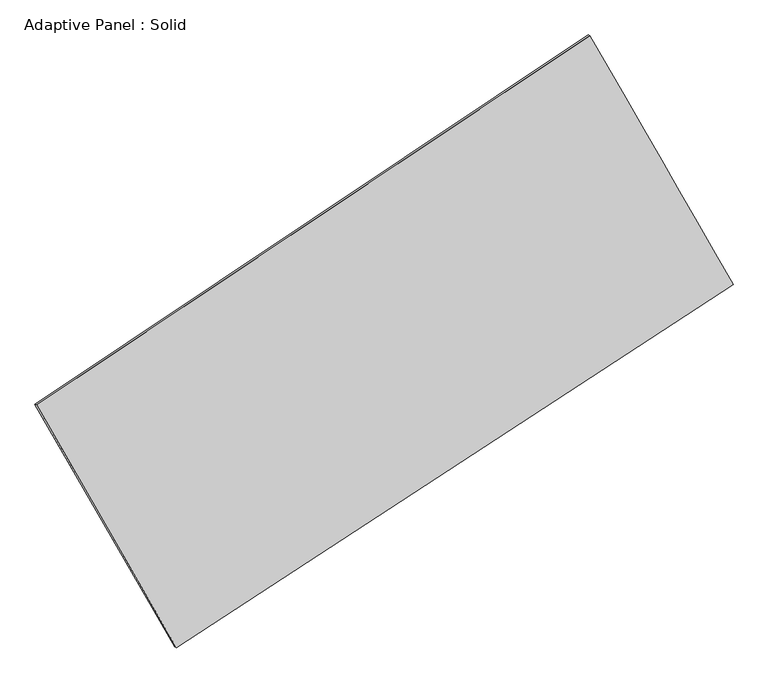
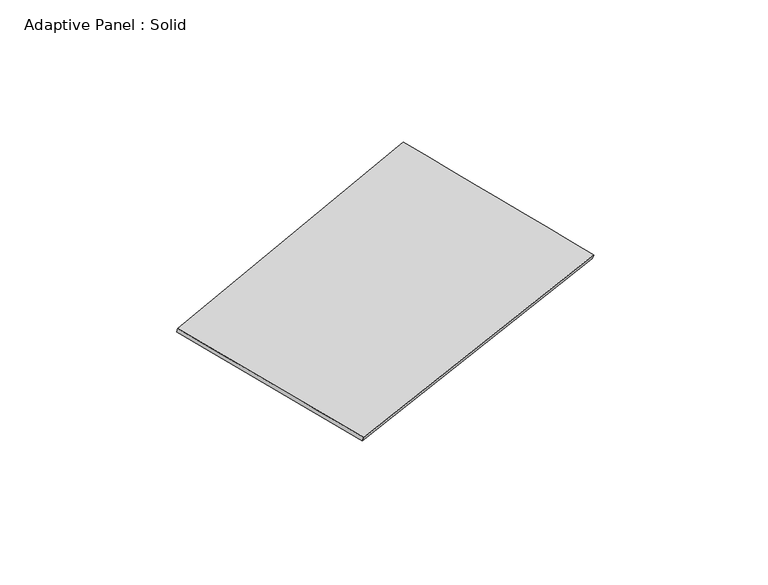
"""IFC4 building model written with IfcOpenShell, lengths in millimetres: plate geometry, Adaptive Panel : Solid."""

import ifcopenshell
import ifcopenshell.guid

model = None  # the IFC model being written
_history = None  # IfcOwnerHistory: only IFC2X3 demands one
_inside = {}  # id of a spatial element -> (the spatial element, [elements in it])
_under = {}  # id of a project, library or spatial element -> (it, [spatial elements below it])
_declared = {}  # id of a project -> (the project, [libraries it declares])
_typed = {}  # id of a type object -> (the type object, [elements of that type])
_made_of = {}  # id of a material, layer set ... -> (it, [elements and type objects made of it])


def new_model(schema):
    """Start an empty IFC model of exactly this schema.

    Asked for "IFC4X3", IfcOpenShell would pick the latest addendum, in which some entities
    have other attributes; the version numbers below select the first issue.
    IFC2X3 requires an IfcOwnerHistory on every rooted entity: one is made here for all.
    """
    global model, _history
    if schema == "IFC4X3":
        model = ifcopenshell.file(schema_version=(4, 3, 0, 0))
    else:
        model = ifcopenshell.file(schema=schema)
    _inside.clear()
    _under.clear()
    _declared.clear()
    _typed.clear()
    _made_of.clear()
    _history = None
    if model.schema == "IFC2X3":
        org = make("IfcOrganization", Name="unknown")
        user = make(
            "IfcPersonAndOrganization",
            ThePerson=make("IfcPerson", FamilyName="unknown"),
            TheOrganization=org,
        )
        app = make(
            "IfcApplication",
            ApplicationDeveloper=org,
            Version="unknown",
            ApplicationFullName="unknown",
            ApplicationIdentifier="unknown",
        )
        _history = make(
            "IfcOwnerHistory",
            OwningUser=user,
            OwningApplication=app,
            ChangeAction="ADDED",
            CreationDate=0,
        )
    return model


def make(cls, **values):
    """One entity of the class cls with the attributes given. An attribute that is None is left unset."""
    return model.create_entity(
        cls, **{name: value for name, value in values.items() if value is not None}
    )


def rooted(cls, **values):
    """An entity with a GlobalId (a new one), such as an element, a storey or a relation."""
    return make(cls, GlobalId=ifcopenshell.guid.new(), OwnerHistory=_history, **values)


def si_unit(unit_type, name, prefix=None):
    """IfcSIUnit, for example si_unit("LENGTHUNIT", "METRE", prefix="MILLI")."""
    return make("IfcSIUnit", UnitType=unit_type, Prefix=prefix, Name=name)


def assignment(units):
    """IfcUnitAssignment: the units of a project."""
    return None if units is None else make("IfcUnitAssignment", Units=units)


def point(xyz):
    """IfcCartesianPoint."""
    return None if xyz is None else make("IfcCartesianPoint", Coordinates=xyz)


def direction(xyz):
    """IfcDirection."""
    return None if xyz is None else make("IfcDirection", DirectionRatios=xyz)


def frame(location, z_axis=None, x_axis=None):
    """IfcAxis2Placement3D, a coordinate frame: its origin and axes. An axis left out is left unset."""
    return make(
        "IfcAxis2Placement3D",
        Location=point(location),
        Axis=direction(z_axis),
        RefDirection=direction(x_axis),
    )


def origin():
    """The frame at (0, 0, 0) with its axes left unset."""
    return frame((0.0, 0.0, 0.0))


def place(relative_to, where):
    """IfcLocalPlacement: puts the frame where relative to a parent placement (None: the world)."""
    return make(
        "IfcLocalPlacement", PlacementRelTo=relative_to, RelativePlacement=where
    )


def context(
    kind, dimensions, precision=None, world=None, true_north=None, identifier=None
):
    """IfcGeometricRepresentationContext, for example the 3D "Model" context."""
    return make(
        "IfcGeometricRepresentationContext",
        ContextIdentifier=identifier,
        ContextType=kind,
        CoordinateSpaceDimension=dimensions,
        Precision=precision,
        WorldCoordinateSystem=world,
        TrueNorth=true_north,
    )


def project(units=None, contexts=None):
    """IfcProject with its units and contexts."""
    return rooted(
        "IfcProject",
        Name="project",
        RepresentationContexts=contexts,
        UnitsInContext=assignment(units),
    )


def spatial(cls, under=None, at=None, **own):
    """A site, building, storey or space (cls), placed at a placement, below another one or the project."""
    s = rooted(cls, ObjectPlacement=at, **own)
    if under is not None:
        _under.setdefault(under.id(), (under, []))[1].append(s)
    return s


def shape(context_of_items, identifier, shape_type, items):
    """IfcShapeRepresentation: the items that make up one representation, for example the "Body"."""
    return make(
        "IfcShapeRepresentation",
        ContextOfItems=context_of_items,
        RepresentationIdentifier=identifier,
        RepresentationType=shape_type,
        Items=items,
    )


def source(mapping_origin, context_of_items, identifier, shape_type, items):
    """IfcRepresentationMap: a shape defined once, which mapped items show again and again."""
    return make(
        "IfcRepresentationMap",
        MappingOrigin=mapping_origin,
        MappedRepresentation=shape(context_of_items, identifier, shape_type, items),
    )


def transform(
    local_origin,
    x_axis=None,
    y_axis=None,
    z_axis=None,
    scale=None,
    scale2=None,
    scale3=None,
    uniform=True,
):
    """IfcCartesianTransformationOperator3D, or its non-uniform kind. x_axis, y_axis, z_axis: its Axis1, 2, 3."""
    if uniform:
        return make(
            "IfcCartesianTransformationOperator3D",
            Axis1=direction(x_axis),
            Axis2=direction(y_axis),
            LocalOrigin=point(local_origin),
            Scale=scale,
            Axis3=direction(z_axis),
        )
    return make(
        "IfcCartesianTransformationOperator3DnonUniform",
        Axis1=direction(x_axis),
        Axis2=direction(y_axis),
        LocalOrigin=point(local_origin),
        Scale=scale,
        Axis3=direction(z_axis),
        Scale2=scale2,
        Scale3=scale3,
    )


def mapped(mapping_source, mapping_target):
    """IfcMappedItem: shows the shape of a source again, moved by a transform."""
    return make(
        "IfcMappedItem", MappingSource=mapping_source, MappingTarget=mapping_target
    )


def made_of(thing, what):
    """Note that an element or type object is made of a material, layer set ...; save() writes the relation."""
    if what is not None:
        _made_of.setdefault(what.id(), (what, []))[1].append(thing)
    return thing


def element(
    cls,
    number,
    at=None,
    inside=None,
    cuts=None,
    type_object=None,
    material=None,
    context=None,
    identifier="Body",
    shape_type=None,
    held_by="IfcProductDefinitionShape",
    body=None,
    shapes=None,
    **own,
):
    """One element of the class cls, such as IfcWall. Its Tag is "e" and its number.

    at: its placement. inside: the storey or other place that contains it. cuts: it is an
    opening in that element (IfcRelVoidsElement). A single representation is given by context,
    identifier, shape_type and body (its items); several are given by shapes. held_by: the class
    of the entity that holds the representations. save() writes the other relations.
    """
    e = rooted(cls, Tag="e%d" % number, ObjectPlacement=at, **own)
    if body is not None:
        shapes = [shape(context, identifier, shape_type, body)]
    if shapes is not None:
        e.Representation = make(held_by, Representations=shapes)
    if inside is not None:
        _inside.setdefault(inside.id(), (inside, []))[1].append(e)
    if cuts is not None:
        rooted(
            "IfcRelVoidsElement", RelatingBuildingElement=cuts, RelatedOpeningElement=e
        )
    if type_object is not None:
        _typed.setdefault(type_object.id(), (type_object, []))[1].append(e)
    return made_of(e, material)


def aggregate(whole, parts):
    """IfcRelAggregates: a whole, such as a stair, and the parts it consists of."""
    return rooted("IfcRelAggregates", RelatingObject=whole, RelatedObjects=parts)


def save(model, path):
    """Write the relations noted so far, then the file.

    IfcRelAggregates (storeys below a building ...), IfcRelContainedInSpatialStructure (elements
    in a storey), IfcRelDefinesByType, IfcRelAssociatesMaterial and IfcRelDeclares: one each for
    every whole, place, type object, material and project.
    """
    for whole, parts in _under.values():
        aggregate(whole, parts)
    for where, things in _inside.values():
        rooted(
            "IfcRelContainedInSpatialStructure",
            RelatedElements=things,
            RelatingStructure=where,
        )
    for kind, things in _typed.values():
        rooted("IfcRelDefinesByType", RelatedObjects=things, RelatingType=kind)
    for what, things in _made_of.values():
        rooted("IfcRelAssociatesMaterial", RelatedObjects=things, RelatingMaterial=what)
    for by, libraries in _declared.values():
        rooted("IfcRelDeclares", RelatingContext=by, RelatedDefinitions=libraries)
    model.write(path)


def plane_surface(at):
    """IfcPlane: the flat surface through the origin of the frame at, square to its z axis."""
    return make("IfcPlane", Position=at)


def spline_surface(u_degree, v_degree, points, u_multiplicities, v_multiplicities, u_knots, v_knots, weights=None):
    """IfcBSplineSurfaceWithKnots; with weights, IfcRationalBSplineSurfaceWithKnots. points: one row for each step in u."""
    own = dict(
        UDegree=u_degree,
        VDegree=v_degree,
        ControlPointsList=[[point(p) for p in row] for row in points],
        SurfaceForm="UNSPECIFIED",
        UClosed=False,
        VClosed=False,
        SelfIntersect=False,
        UMultiplicities=u_multiplicities,
        VMultiplicities=v_multiplicities,
        UKnots=u_knots,
        VKnots=v_knots,
        KnotSpec="UNSPECIFIED",
    )
    if weights is None:
        return make("IfcBSplineSurfaceWithKnots", **own)
    return make("IfcRationalBSplineSurfaceWithKnots", WeightsData=weights, **own)


def advanced_brep(points, edges, surfaces, faces):
    """IfcAdvancedBrep: a solid bounded by faces that lie on surfaces and meet in shared edges.

    An edge is (start, end): straight between two places in points (the first is 0);
    or (start, end, curve); or (start, end, curve, False) where it runs against its curve.
    A face is (place in surfaces, loops), or (place, loops, False) where it looks against
    its surface's normal. A loop lists edges by number (the first is 1), with a minus sign
    where the edge is run from its end to its start. The first loop is the outer one.
    """
    corners = [point(p) for p in points]
    vertices = [make("IfcVertexPoint", VertexGeometry=c) for c in corners]
    made = []
    for start, end, *more in edges:
        made.append(
            make(
                "IfcEdgeCurve",
                EdgeStart=vertices[start],
                EdgeEnd=vertices[end],
                EdgeGeometry=more[0] if more else make("IfcPolyline", Points=[corners[start], corners[end]]),
                SameSense=more[1] if len(more) > 1 else True,
            )
        )
    hull = []
    for where, loops, *sense in faces:
        bounds = []
        for j, loop in enumerate(loops):
            ring = [make("IfcOrientedEdge", EdgeElement=made[abs(k) - 1], Orientation=k > 0) for k in loop]
            bounds.append(
                make(
                    "IfcFaceOuterBound" if j == 0 else "IfcFaceBound",
                    Bound=make("IfcEdgeLoop", EdgeList=ring),
                    Orientation=True,
                )
            )
        hull.append(make("IfcAdvancedFace", Bounds=bounds, FaceSurface=surfaces[where], SameSense=sense[0] if sense else True))
    return make("IfcAdvancedBrep", Outer=make("IfcClosedShell", CfsFaces=hull))


def adaptive_panel_solid_3f4c1352(model_context):
    return source(origin(), model_context, "Body", "AdvancedBrep", [
        advanced_brep(
        [(1140.3438987, 2577.6921321, 680.8756664), (-3672.8445524, -638.7948512, 1730.7368029), (-3658.1781966, -645.1749446, 1778.1097109), (1155.0102545, 2571.3120387, 728.2485744), (-2456.1465272, -2750.4403008, 1076.8372218), (-2441.4801714, -2756.8203943, 1124.2101298), (2385.3566028, 411.294447, -3.3271709), (2400.0229586, 404.9143535, 44.0457372)],
        [
            (0, 1),
            (1, 2),
            (2, 3),
            (3, 0),
            (1, 4),
            (4, 5),
            (5, 2),
            (4, 6),
            (6, 7),
            (7, 5),
            (6, 0),
            (3, 7),
        ],
        [
            plane_surface(frame((-1266.2503269, 969.4486405, 1205.8062347), z_axis=(-0.49520826603993734, 0.8274507169094901, 0.2647528740763536), x_axis=(-0.8180918726981384, -0.5467024377719331, 0.17844363916788597))),
            plane_surface(frame((-3064.4955398, -1694.617576, 1403.7870123), z_axis=(-0.8259626357664408, -0.5328688292822599, 0.18394709863737357), x_axis=(0.4821874261488121, -0.8368624450620895, -0.25914577771726327))),
            plane_surface(frame((-35.3949622, -1169.5729269, 536.7550254), z_axis=(0.48581316767129135, -0.8336574361689174, -0.2626801196083435), x_axis=(0.8230389040268962, 0.5374840481988262, -0.18362423693512692))),
            plane_surface(frame((1762.8502507, 1494.4932896, 338.7742478), z_axis=(0.8260025283793578, 0.5327995015613721, -0.18396878606671774), x_axis=(-0.4805792174851837, 0.8362370125859561, 0.26410466581006165))),
            spline_surface(1, 1, [[(-3658.1781966, -645.1749446, 1778.1097109), (1155.0102545, 2571.3120387, 728.2485744)], [(-2441.4801714, -2756.8203943, 1124.2101298), (2400.0229586, 404.9143535, 44.0457372)]], [2, 2], [2, 2], [0.0, 1.0], [0.0, 1.0]),
            spline_surface(1, 1, [[(2385.3566028, 411.294447, -3.3271709), (1140.3438987, 2577.6921321, 680.8756664)], [(-2456.1465272, -2750.4403008, 1076.8372218), (-3672.8445524, -638.7948512, 1730.7368029)]], [2, 2], [2, 2], [0.0, 1.0], [0.0, 1.0]),
        ],
        [
            (0, [[1, 2, 3, 4]]),
            (1, [[5, 6, 7, -2]]),
            (2, [[8, 9, 10, -6]]),
            (3, [[11, -4, 12, -9]]),
            (4, [[-3, -7, -10, -12]]),
            (5, [[-11, -8, -5, -1]]),
        ],
    ),
    ])


if __name__ == "__main__":
    model = new_model("IFC4")
    model_context = context("Model", 3, world=origin())
    ifc_project = project(units=[si_unit("LENGTHUNIT", "METRE", prefix="MILLI")], contexts=[model_context])
    site = spatial("IfcSite", under=ifc_project)
    building = spatial("IfcBuilding", under=site)
    placement = place(None, origin())
    adaptive_panel_solid_shape = adaptive_panel_solid_3f4c1352(model_context)
    element("IfcPlate", 1, ObjectType="Adaptive Panel : Solid", at=placement, inside=building, context=model_context, shape_type="MappedRepresentation", body=[
        mapped(adaptive_panel_solid_shape, transform((0.0, 0.0, 0.0), x_axis=(1.0, 0.0, 0.0), y_axis=(0.0, 1.0, 0.0), z_axis=(0.0, 0.0, 1.0))),
    ])
    save(model, "model.ifc")
